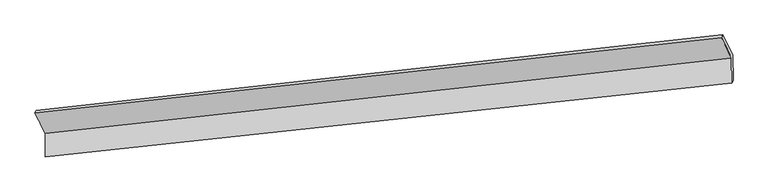
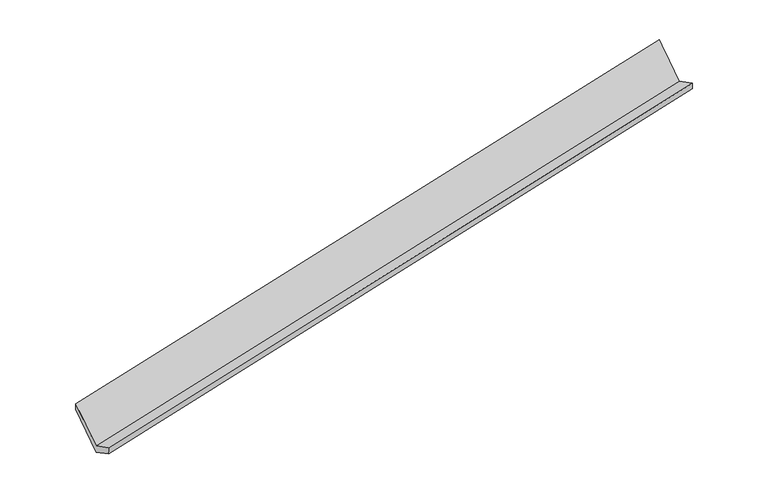
"""IFC4 building model written with IfcOpenShell, lengths in millimetres: proxy geometry."""

from ifc_helpers import new_model, si_unit, frame, origin, place, context, project, spatial, source, transform, mapped, element, save
from ifc_brep_helpers import plane_surface, spline_surface, advanced_brep


def generic_models_2c45a6fb(model_context):
    return source(origin(), model_context, "Body", "AdvancedBrep", [
        advanced_brep(
        [(-8499.7941063, -2133.3877614, 562.5329337), (-8497.0149372, -2520.7240817, 764.0325437), (2866.3814789, -1293.9124887, 3075.3841641), (2863.4113552, -879.9625866, 2860.0396704), (-8470.9125213, -2483.3025994, 612.5889495), (2889.8142541, -1252.0531762, 2932.508091), (-8473.6866619, -2096.6670937, 411.4539164), (2886.8173331, -834.3684919, 2715.2206935), (-8646.7770003, -1748.1098162, 1083.8618712), (2721.219447, -494.4497574, 3370.9197115), (-8670.0746496, -1790.4886535, 1224.0256142), (2698.384846, -541.2167035, 3513.4762725)],
        [
            (0, 1),
            (1, 2),
            (2, 3),
            (3, 0),
            (1, 4),
            (4, 5),
            (5, 2),
            (4, 6),
            (6, 7),
            (7, 5),
            (6, 8),
            (8, 9),
            (9, 7),
            (8, 10),
            (10, 11),
            (11, 9),
            (10, 0),
            (3, 11),
        ],
        [
            plane_surface(frame((-8498.4045217, -2327.0559216, 663.2827387), z_axis=(-0.22439618038113124, 0.44846854103921435, 0.8651718453165924), x_axis=(0.006365152574201991, -0.8871193895062357, 0.46149612522186034))),
            spline_surface(1, 1, [[(-8497.0149372, -2520.7240817, 764.0325437), (2866.3814789, -1293.9124887, 3075.3841641)], [(-8470.9125213, -2483.3025994, 612.5889495), (2889.8142541, -1252.0531762, 2932.508091)]], [2, 2], [2, 2], [0.0, 1.0], [0.0, 1.0]),
            plane_surface(frame((-8472.2995916, -2289.9848466, 512.0214329), z_axis=(0.22523196224144584, -0.4483748248893335, -0.8650032251907086), x_axis=(-0.006365152574246377, 0.8871193895061737, -0.46149612522197886))),
            spline_surface(1, 1, [[(-8473.6866619, -2096.6670937, 411.4539164), (2886.8173331, -834.3684919, 2715.2206935)], [(-8646.7770003, -1748.1098162, 1083.8618712), (2721.219447, -494.4497574, 3370.9197115)]], [2, 2], [2, 2], [0.0, 1.0], [0.0, 1.0]),
            spline_surface(1, 1, [[(-8646.7770003, -1748.1098162, 1083.8618712), (2721.219447, -494.4497574, 3370.9197115)], [(-8670.0746496, -1790.4886535, 1224.0256142), (2698.384846, -541.2167035, 3513.4762725)]], [2, 2], [2, 2], [0.0, 1.0], [0.0, 1.0]),
            spline_surface(1, 1, [[(-8670.0746496, -1790.4886535, 1224.0256142), (2698.384846, -541.2167035, 3513.4762725)], [(-8499.7941063, -2133.3877614, 562.5329337), (2863.4113552, -879.9625866, 2860.0396704)]], [2, 2], [2, 2], [0.0, 1.0], [0.0, 1.0]),
            plane_surface(frame((2821.0047857, -882.6605341, 3077.9247672), z_axis=(0.9757529427107707, 0.10648121743576237, 0.19122746958705877), x_axis=(-0.1504657315534966, -0.3081649100278303, 0.9393585321141287))),
            plane_surface(frame((-8543.0433128, -2128.780001, 776.4159714), z_axis=(-0.974844748338152, -0.1083276002759041, -0.1947892390661995), x_axis=(-0.2227940786247033, 0.4486472108244618, 0.8654931997128577))),
        ],
        [
            (0, [[1, 2, 3, 4]]),
            (1, [[5, 6, 7, -2]]),
            (2, [[8, 9, 10, -6]]),
            (3, [[11, 12, 13, -9]]),
            (4, [[14, 15, 16, -12]]),
            (5, [[17, -4, 18, -15]]),
            (6, [[-16, -18, -3, -7, -10, -13]]),
            (7, [[-17, -14, -11, -8, -5, -1]]),
        ],
    ),
    ])


if __name__ == "__main__":
    model = new_model("IFC4")
    model_context = context("Model", 3, world=origin())
    ifc_project = project(units=[si_unit("LENGTHUNIT", "METRE", prefix="MILLI")], contexts=[model_context])
    site = spatial("IfcSite", under=ifc_project)
    building = spatial("IfcBuilding", under=site)
    placement = place(None, origin())
    generic_models_shape = generic_models_2c45a6fb(model_context)
    element("IfcBuildingElementProxy", 1, Name="Generic Models", at=placement, inside=building, context=model_context, shape_type="MappedRepresentation", body=[
        mapped(generic_models_shape, transform((0.0, 0.0, 0.0), x_axis=(1.0, 0.0, 0.0), y_axis=(0.0, 1.0, 0.0), z_axis=(0.0, 0.0, 1.0))),
    ])
    save(model, "model.ifc")
